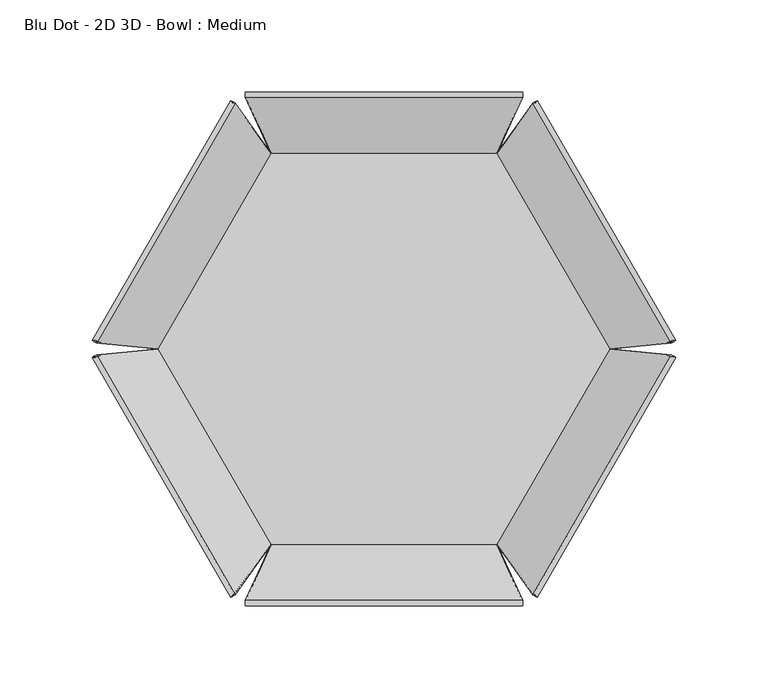
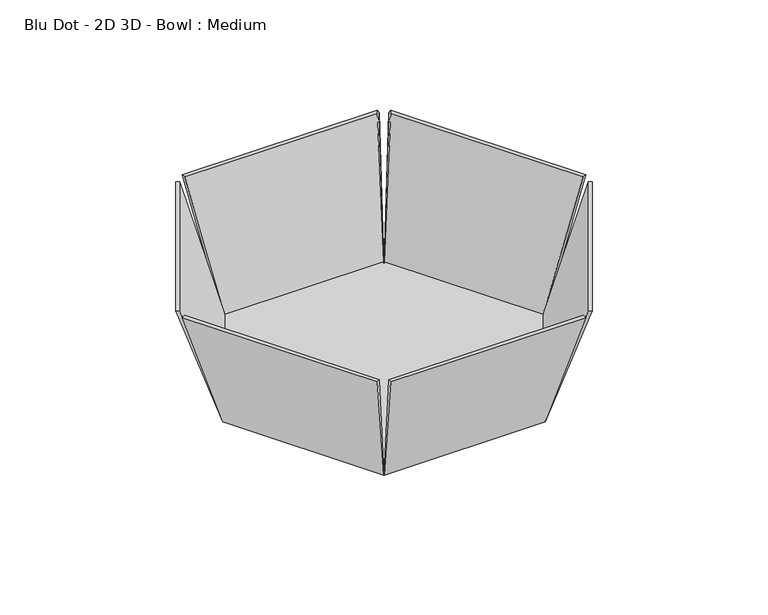
"""IFC4 building model written with IfcOpenShell, lengths in millimetres: furniture geometry, Blu Dot - 2D 3D - Bowl : Medium."""

from ifc_helpers import new_model, si_unit, frame, origin, place, context, project, spatial, polyline, outline, extrude, source, transform, mapped, element, save
from ifc_brep_helpers import plane_surface, spline_surface, advanced_brep


def blu_dot_2d_3d_bowl_medium_9b1aea81(model_context):
    return source(origin(), model_context, "Body", "SolidModel", [
        extrude(outline(polyline([(61.254797, 106.0964489), (122.5096007, 1.66e-05), (61.2547778, -106.0964489), (-61.2548059, -106.0964489), (-122.5096092, -1.74e-05), (-61.2547858, 106.0964489), (61.254797, 106.0964489)])), frame((0.0, 0.0, 721.3578587), z_axis=(0.0, 0.0, 1.0), x_axis=(1.0, 0.0, 0.0)), (0.0, 0.0, 1.0), 1.4073938),
        advanced_brep(
        [(80.6776714, -133.338826, 821.0932903), (83.1148131, -134.7459107, 821.0932903), (158.2507873, -4.6066174, 821.0932903), (155.8136457, -3.1995327, 821.0932903), (61.2548104, -106.0964412, 721.3578587), (122.5096233, -1.88e-05, 721.3578587), (124.5067414, -1.91e-05, 721.3578587), (62.2533694, -107.8259963, 721.3578587)],
        [
            (0, 1),
            (1, 2),
            (2, 3),
            (3, 0),
            (4, 5),
            (5, 6),
            (6, 7),
            (7, 4),
            (4, 0),
            (3, 5),
            (2, 6),
            (1, 7),
        ],
        [
            plane_surface(frame((119.4642294, -68.9727217, 821.0932903), z_axis=(0.0, 0.0, 1.0000000000000002), x_axis=(0.866025351232198, -0.5000000910231399, 0.0))),
            plane_surface(frame((92.6311361, -53.4806188, 721.3578587), z_axis=(0.0, 0.0, -1.0000000000000002), x_axis=(0.866025351232198, -0.5000000910231399, 0.0))),
            plane_surface(frame((91.8822168, -53.04823, 721.3578587), z_axis=(-0.8283008647040041, 0.4782198432843635, 0.29193057225936186), x_axis=(-0.50000009102314, -0.866025351232198, 0.0))),
            spline_surface(1, 1, [[(124.5067414, -1.91e-05, 721.3578587), (158.2507873, -4.6066174, 821.0932903)], [(122.5096233, -1.88e-05, 721.3578587), (155.8136457, -3.1995327, 821.0932903)]], [2, 2], [2, 2], [0.0, 1.0], [0.0, 1.0]),
            plane_surface(frame((93.3800554, -53.9130077, 721.3578587), z_axis=(0.8257527916326778, -0.47674871225363324, -0.3014017127943076), x_axis=(0.50000009102314, 0.866025351232198, 0.0))),
            spline_surface(1, 1, [[(61.2548104, -106.0964412, 721.3578587), (80.6776714, -133.338826, 821.0932903)], [(62.2533694, -107.8259963, 721.3578587), (83.1148131, -134.7459107, 821.0932903)]], [2, 2], [2, 2], [0.0, 1.0], [0.0, 1.0]),
        ],
        [
            (0, [[1, 2, 3, 4]]),
            (1, [[5, 6, 7, 8]]),
            (2, [[-5, 9, -4, 10]]),
            (3, [[-6, -10, -3, 11]]),
            (4, [[-7, -11, -2, 12]]),
            (5, [[-8, -12, -1, -9]]),
        ],
    ),
        advanced_brep(
        [(80.6776714, 133.338826, 821.0932903), (155.8136457, 3.1995327, 821.0932903), (158.2507873, 4.6066174, 821.0932903), (83.1148131, 134.7459107, 821.0932903), (61.2548104, 106.0964412, 721.3578587), (62.2533694, 107.8259963, 721.3578587), (124.5067414, 1.91e-05, 721.3578587), (122.5096233, 1.88e-05, 721.3578587)],
        [
            (0, 1),
            (1, 2),
            (2, 3),
            (3, 0),
            (4, 5),
            (5, 6),
            (6, 7),
            (7, 4),
            (7, 1),
            (0, 4),
            (6, 2),
            (5, 3),
        ],
        [
            plane_surface(frame((119.4642294, 68.9727217, 821.0932903), z_axis=(0.0, 0.0, 1.0), x_axis=(0.5000000910231399, -0.8660253512321979, 0.0))),
            plane_surface(frame((92.6311361, 53.4806188, 721.3578587), z_axis=(0.0, 0.0, -1.0), x_axis=(0.5000000910231399, -0.8660253512321979, 0.0))),
            plane_surface(frame((91.8822168, 53.04823, 721.3578587), z_axis=(-0.8283008647040039, -0.47821984328436334, 0.29193057225936203), x_axis=(0.5000000910231399, -0.8660253512321979, 0.0))),
            spline_surface(1, 1, [[(122.5096233, 1.88e-05, 721.3578587), (155.8136457, 3.1995327, 821.0932903)], [(124.5067414, 1.91e-05, 721.3578587), (158.2507873, 4.6066174, 821.0932903)]], [2, 2], [2, 2], [0.0, 1.0], [0.0, 1.0]),
            plane_surface(frame((93.3800554, 53.9130077, 721.3578587), z_axis=(0.8257527916326777, 0.47674871225363313, -0.3014017127943075), x_axis=(-0.5000000910231399, 0.8660253512321979, 0.0))),
            spline_surface(1, 1, [[(62.2533694, 107.8259963, 721.3578587), (83.1148131, 134.7459107, 821.0932903)], [(61.2548104, 106.0964412, 721.3578587), (80.6776714, 133.338826, 821.0932903)]], [2, 2], [2, 2], [0.0, 1.0], [0.0, 1.0]),
        ],
        [
            (0, [[1, 2, 3, 4]]),
            (1, [[5, 6, 7, 8]]),
            (2, [[-8, 9, -1, 10]]),
            (3, [[-7, 11, -2, -9]]),
            (4, [[-6, 12, -3, -11]]),
            (5, [[-5, -10, -4, -12]]),
        ],
    ),
        advanced_brep(
        [(-80.6776714, -133.338826, 821.0932903), (-155.8136457, -3.1995327, 821.0932903), (-158.2507873, -4.6066174, 821.0932903), (-83.1148131, -134.7459107, 821.0932903), (-61.2548104, -106.0964412, 721.3578587), (-62.2533694, -107.8259963, 721.3578587), (-124.5067414, -1.91e-05, 721.3578587), (-122.5096233, -1.88e-05, 721.3578587)],
        [
            (0, 1),
            (1, 2),
            (2, 3),
            (3, 0),
            (4, 5),
            (5, 6),
            (6, 7),
            (7, 4),
            (7, 1),
            (0, 4),
            (6, 2),
            (5, 3),
        ],
        [
            plane_surface(frame((-119.4642294, -68.9727217, 821.0932903), z_axis=(0.0, 0.0, 1.0), x_axis=(-0.5000000910231399, 0.8660253512321979, 0.0))),
            plane_surface(frame((-92.6311361, -53.4806188, 721.3578587), z_axis=(0.0, 0.0, -1.0), x_axis=(-0.5000000910231399, 0.8660253512321979, 0.0))),
            plane_surface(frame((-91.8822168, -53.04823, 721.3578587), z_axis=(0.8283008647040039, 0.47821984328436334, 0.29193057225936203), x_axis=(-0.5000000910231399, 0.8660253512321979, 0.0))),
            spline_surface(1, 1, [[(-122.5096233, -1.88e-05, 721.3578587), (-155.8136457, -3.1995327, 821.0932903)], [(-124.5067414, -1.91e-05, 721.3578587), (-158.2507873, -4.6066174, 821.0932903)]], [2, 2], [2, 2], [0.0, 1.0], [0.0, 1.0]),
            plane_surface(frame((-93.3800554, -53.9130077, 721.3578587), z_axis=(-0.8257527916326777, -0.47674871225363313, -0.30140171279430744), x_axis=(0.5000000910231399, -0.8660253512321979, 0.0))),
            spline_surface(1, 1, [[(-62.2533694, -107.8259963, 721.3578587), (-83.1148131, -134.7459107, 821.0932903)], [(-61.2548104, -106.0964412, 721.3578587), (-80.6776714, -133.338826, 821.0932903)]], [2, 2], [2, 2], [0.0, 1.0], [0.0, 1.0]),
        ],
        [
            (0, [[1, 2, 3, 4]]),
            (1, [[5, 6, 7, 8]]),
            (2, [[-8, 9, -1, 10]]),
            (3, [[-7, 11, -2, -9]]),
            (4, [[-6, 12, -3, -11]]),
            (5, [[-5, -10, -4, -12]]),
        ],
    ),
        advanced_brep(
        [(-80.6776714, 133.338826, 821.0932903), (-83.1148131, 134.7459107, 821.0932903), (-158.2507873, 4.6066174, 821.0932903), (-155.8136457, 3.1995327, 821.0932903), (-61.2548104, 106.0964412, 721.3578587), (-122.5096233, 1.88e-05, 721.3578587), (-124.5067414, 1.91e-05, 721.3578587), (-62.2533694, 107.8259963, 721.3578587)],
        [
            (0, 1),
            (1, 2),
            (2, 3),
            (3, 0),
            (4, 5),
            (5, 6),
            (6, 7),
            (7, 4),
            (4, 0),
            (3, 5),
            (2, 6),
            (1, 7),
        ],
        [
            plane_surface(frame((-119.4642294, 68.9727217, 821.0932903), z_axis=(0.0, 0.0, 1.0), x_axis=(-0.8660253512321979, 0.5000000910231399, 0.0))),
            plane_surface(frame((-92.6311361, 53.4806188, 721.3578587), z_axis=(0.0, 0.0, -1.0), x_axis=(-0.8660253512321979, 0.5000000910231399, 0.0))),
            plane_surface(frame((-91.8822168, 53.04823, 721.3578587), z_axis=(0.8283008647040039, -0.47821984328436334, 0.291930572259362), x_axis=(0.5000000910231399, 0.8660253512321979, 0.0))),
            spline_surface(1, 1, [[(-124.5067414, 1.91e-05, 721.3578587), (-158.2507873, 4.6066174, 821.0932903)], [(-122.5096233, 1.88e-05, 721.3578587), (-155.8136457, 3.1995327, 821.0932903)]], [2, 2], [2, 2], [0.0, 1.0], [0.0, 1.0]),
            plane_surface(frame((-93.3800554, 53.9130077, 721.3578587), z_axis=(-0.8257527916326777, 0.47674871225363313, -0.3014017127943074), x_axis=(-0.5000000910231399, -0.8660253512321979, 0.0))),
            spline_surface(1, 1, [[(-61.2548104, 106.0964412, 721.3578587), (-80.6776714, 133.338826, 821.0932903)], [(-62.2533694, 107.8259963, 721.3578587), (-83.1148131, 134.7459107, 821.0932903)]], [2, 2], [2, 2], [0.0, 1.0], [0.0, 1.0]),
        ],
        [
            (0, [[1, 2, 3, 4]]),
            (1, [[5, 6, 7, 8]]),
            (2, [[-5, 9, -4, 10]]),
            (3, [[-6, -10, -3, 11]]),
            (4, [[-7, -11, -2, 12]]),
            (5, [[-8, -12, -1, -9]]),
        ],
    ),
        advanced_brep(
        [(75.1359606, 136.5383339, 821.0932903), (75.1359606, 139.3525028, 821.0932903), (-75.1359606, 139.3525028, 821.0932903), (-75.1359606, 136.5383339, 821.0932903), (61.254797, 106.0964489, 721.3578587), (-61.2548065, 106.0964489, 721.3578587), (-62.2533655, 107.826004, 721.3578587), (62.253356, 107.826004, 721.3578587)],
        [
            (0, 1),
            (1, 2),
            (2, 3),
            (3, 0),
            (4, 5),
            (5, 6),
            (6, 7),
            (7, 4),
            (4, 0),
            (3, 5),
            (2, 6),
            (1, 7),
        ],
        [
            plane_surface(frame((0.0, 137.9454184, 821.0932903), z_axis=(0.0, 0.0, 1.0), x_axis=(0.0, 1.0, 0.0))),
            plane_surface(frame((-4.8e-06, 106.9612265, 721.3578587), z_axis=(0.0, 0.0, -1.0), x_axis=(0.0, 1.0, 0.0))),
            plane_surface(frame((-4.8e-06, 106.0964489, 721.3578587), z_axis=(0.0, -0.9564395124524716, 0.29193057225936203), x_axis=(1.0, 0.0, 0.0))),
            spline_surface(1, 1, [[(-62.2533655, 107.826004, 721.3578587), (-75.1359606, 139.3525028, 821.0932903)], [(-61.2548065, 106.0964489, 721.3578587), (-75.1359606, 136.5383339, 821.0932903)]], [2, 2], [2, 2], [0.0, 1.0], [0.0, 1.0]),
            plane_surface(frame((-4.8e-06, 107.826004, 721.3578587), z_axis=(0.0, 0.953497250926639, -0.3014017127943074), x_axis=(-1.0, 0.0, 0.0))),
            spline_surface(1, 1, [[(61.254797, 106.0964489, 721.3578587), (75.1359606, 136.5383339, 821.0932903)], [(62.253356, 107.826004, 721.3578587), (75.1359606, 139.3525028, 821.0932903)]], [2, 2], [2, 2], [0.0, 1.0], [0.0, 1.0]),
        ],
        [
            (0, [[1, 2, 3, 4]]),
            (1, [[5, 6, 7, 8]]),
            (2, [[-5, 9, -4, 10]]),
            (3, [[-6, -10, -3, 11]]),
            (4, [[-7, -11, -2, 12]]),
            (5, [[-8, -12, -1, -9]]),
        ],
    ),
        advanced_brep(
        [(75.1359606, -136.5383339, 821.0932903), (-75.1359606, -136.5383339, 821.0932903), (-75.1359606, -139.3525028, 821.0932903), (75.1359606, -139.3525028, 821.0932903), (61.254797, -106.0964489, 721.3578587), (62.253356, -107.826004, 721.3578587), (-62.2533655, -107.826004, 721.3578587), (-61.2548065, -106.0964489, 721.3578587)],
        [
            (0, 1),
            (1, 2),
            (2, 3),
            (3, 0),
            (4, 5),
            (5, 6),
            (6, 7),
            (7, 4),
            (7, 1),
            (0, 4),
            (6, 2),
            (5, 3),
        ],
        [
            plane_surface(frame((0.0, -137.9454184, 821.0932903), z_axis=(0.0, 0.0, 1.0), x_axis=(-1.0, 0.0, 0.0))),
            plane_surface(frame((-4.8e-06, -106.9612265, 721.3578587), z_axis=(0.0, 0.0, -1.0), x_axis=(-1.0, 0.0, 0.0))),
            plane_surface(frame((-4.8e-06, -106.0964489, 721.3578587), z_axis=(0.0, 0.9564395124524716, 0.29193057225936203), x_axis=(-1.0, 0.0, 0.0))),
            spline_surface(1, 1, [[(-61.2548065, -106.0964489, 721.3578587), (-75.1359606, -136.5383339, 821.0932903)], [(-62.2533655, -107.826004, 721.3578587), (-75.1359606, -139.3525028, 821.0932903)]], [2, 2], [2, 2], [0.0, 1.0], [0.0, 1.0]),
            plane_surface(frame((-4.8e-06, -107.826004, 721.3578587), z_axis=(0.0, -0.953497250926639, -0.3014017127943074), x_axis=(1.0, 0.0, 0.0))),
            spline_surface(1, 1, [[(62.253356, -107.826004, 721.3578587), (75.1359606, -139.3525028, 821.0932903)], [(61.254797, -106.0964489, 721.3578587), (75.1359606, -136.5383339, 821.0932903)]], [2, 2], [2, 2], [0.0, 1.0], [0.0, 1.0]),
        ],
        [
            (0, [[1, 2, 3, 4]]),
            (1, [[5, 6, 7, 8]]),
            (2, [[-8, 9, -1, 10]]),
            (3, [[-7, 11, -2, -9]]),
            (4, [[-6, 12, -3, -11]]),
            (5, [[-5, -10, -4, -12]]),
        ],
    ),
    ])


if __name__ == "__main__":
    model = new_model("IFC4")
    model_context = context("Model", 3, world=origin())
    ifc_project = project(units=[si_unit("LENGTHUNIT", "METRE", prefix="MILLI")], contexts=[model_context])
    site = spatial("IfcSite", under=ifc_project)
    building = spatial("IfcBuilding", under=site)
    placement = place(None, origin())
    blu_dot_2d_3d_bowl_medium_shape = blu_dot_2d_3d_bowl_medium_9b1aea81(model_context)
    element("IfcFurniture", 1, ObjectType="Blu Dot - 2D 3D - Bowl : Medium", at=placement, inside=building, context=model_context, shape_type="MappedRepresentation", body=[
        mapped(blu_dot_2d_3d_bowl_medium_shape, transform((0.0, 0.0, 0.0), x_axis=(1.0, 0.0, 0.0), y_axis=(0.0, 1.0, 0.0), z_axis=(0.0, 0.0, 1.0))),
    ])
    save(model, "model.ifc")
